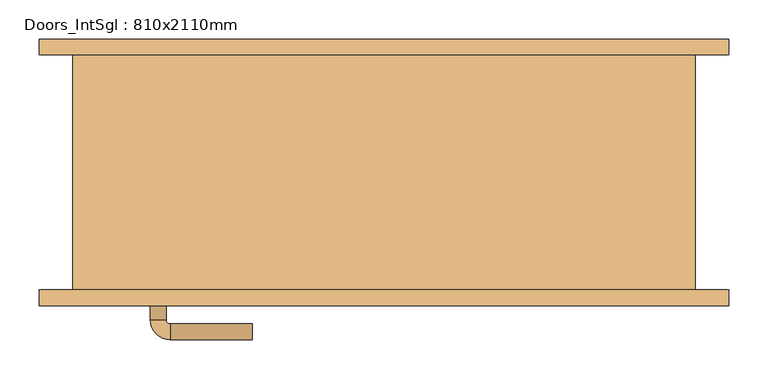
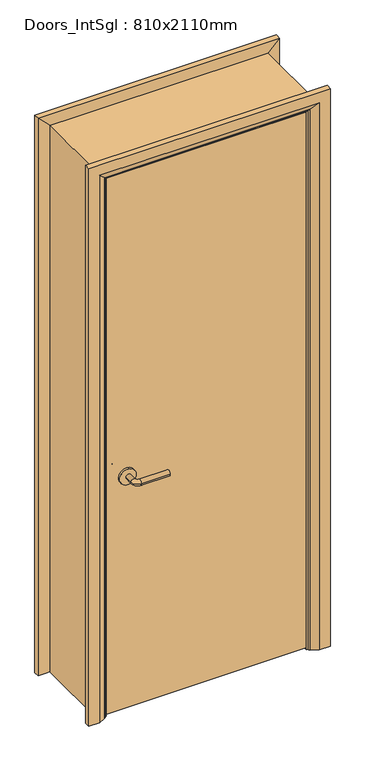
"""IFC4 building model written with IfcOpenShell, lengths in millimetres: door geometry, Doors_IntSgl : 810x2110mm."""

import ifcopenshell
import ifcopenshell.guid

model = None  # the IFC model being written
_history = None  # IfcOwnerHistory: only IFC2X3 demands one
_inside = {}  # id of a spatial element -> (the spatial element, [elements in it])
_under = {}  # id of a project, library or spatial element -> (it, [spatial elements below it])
_declared = {}  # id of a project -> (the project, [libraries it declares])
_typed = {}  # id of a type object -> (the type object, [elements of that type])
_made_of = {}  # id of a material, layer set ... -> (it, [elements and type objects made of it])


def new_model(schema):
    """Start an empty IFC model of exactly this schema.

    Asked for "IFC4X3", IfcOpenShell would pick the latest addendum, in which some entities
    have other attributes; the version numbers below select the first issue.
    IFC2X3 requires an IfcOwnerHistory on every rooted entity: one is made here for all.
    """
    global model, _history
    if schema == "IFC4X3":
        model = ifcopenshell.file(schema_version=(4, 3, 0, 0))
    else:
        model = ifcopenshell.file(schema=schema)
    _inside.clear()
    _under.clear()
    _declared.clear()
    _typed.clear()
    _made_of.clear()
    _history = None
    if model.schema == "IFC2X3":
        org = make("IfcOrganization", Name="unknown")
        user = make(
            "IfcPersonAndOrganization",
            ThePerson=make("IfcPerson", FamilyName="unknown"),
            TheOrganization=org,
        )
        app = make(
            "IfcApplication",
            ApplicationDeveloper=org,
            Version="unknown",
            ApplicationFullName="unknown",
            ApplicationIdentifier="unknown",
        )
        _history = make(
            "IfcOwnerHistory",
            OwningUser=user,
            OwningApplication=app,
            ChangeAction="ADDED",
            CreationDate=0,
        )
    return model


def make(cls, **values):
    """One entity of the class cls with the attributes given. An attribute that is None is left unset."""
    return model.create_entity(
        cls, **{name: value for name, value in values.items() if value is not None}
    )


def rooted(cls, **values):
    """An entity with a GlobalId (a new one), such as an element, a storey or a relation."""
    return make(cls, GlobalId=ifcopenshell.guid.new(), OwnerHistory=_history, **values)


def si_unit(unit_type, name, prefix=None):
    """IfcSIUnit, for example si_unit("LENGTHUNIT", "METRE", prefix="MILLI")."""
    return make("IfcSIUnit", UnitType=unit_type, Prefix=prefix, Name=name)


def assignment(units):
    """IfcUnitAssignment: the units of a project."""
    return None if units is None else make("IfcUnitAssignment", Units=units)


def point(xyz):
    """IfcCartesianPoint."""
    return None if xyz is None else make("IfcCartesianPoint", Coordinates=xyz)


def direction(xyz):
    """IfcDirection."""
    return None if xyz is None else make("IfcDirection", DirectionRatios=xyz)


def frame(location, z_axis=None, x_axis=None):
    """IfcAxis2Placement3D, a coordinate frame: its origin and axes. An axis left out is left unset."""
    return make(
        "IfcAxis2Placement3D",
        Location=point(location),
        Axis=direction(z_axis),
        RefDirection=direction(x_axis),
    )


def frame_2d(location, x_axis=None):
    """IfcAxis2Placement2D, a coordinate frame in the plane: its origin and x axis."""
    return make(
        "IfcAxis2Placement2D", Location=point(location), RefDirection=direction(x_axis)
    )


def origin():
    """The frame at (0, 0, 0) with its axes left unset."""
    return frame((0.0, 0.0, 0.0))


def place(relative_to, where):
    """IfcLocalPlacement: puts the frame where relative to a parent placement (None: the world)."""
    return make(
        "IfcLocalPlacement", PlacementRelTo=relative_to, RelativePlacement=where
    )


def context(
    kind, dimensions, precision=None, world=None, true_north=None, identifier=None
):
    """IfcGeometricRepresentationContext, for example the 3D "Model" context."""
    return make(
        "IfcGeometricRepresentationContext",
        ContextIdentifier=identifier,
        ContextType=kind,
        CoordinateSpaceDimension=dimensions,
        Precision=precision,
        WorldCoordinateSystem=world,
        TrueNorth=true_north,
    )


def project(units=None, contexts=None):
    """IfcProject with its units and contexts."""
    return rooted(
        "IfcProject",
        Name="project",
        RepresentationContexts=contexts,
        UnitsInContext=assignment(units),
    )


def spatial(cls, under=None, at=None, **own):
    """A site, building, storey or space (cls), placed at a placement, below another one or the project."""
    s = rooted(cls, ObjectPlacement=at, **own)
    if under is not None:
        _under.setdefault(under.id(), (under, []))[1].append(s)
    return s


def polyline(points):
    """IfcPolyline through the points."""
    return make("IfcPolyline", Points=[point(p) for p in points])


def circle_curve(where, radius):
    """IfcCircle in the frame where."""
    return make("IfcCircle", Position=where, Radius=radius)


def ellipse_curve(where, semi_axis1, semi_axis2):
    """IfcEllipse in the frame where."""
    return make(
        "IfcEllipse", Position=where, SemiAxis1=semi_axis1, SemiAxis2=semi_axis2
    )


def trimmed(basis, trim1, trim2, sense, master):
    """IfcTrimmedCurve: the piece of a basis curve between two trims."""
    return make(
        "IfcTrimmedCurve",
        BasisCurve=basis,
        Trim1=trim1,
        Trim2=trim2,
        SenseAgreement=sense,
        MasterRepresentation=master,
    )


def segment(curve, same_sense, transition):
    """IfcCompositeCurveSegment."""
    return make(
        "IfcCompositeCurveSegment",
        Transition=transition,
        SameSense=same_sense,
        ParentCurve=curve,
    )


def composite_curve(segments, self_intersect=None):
    """IfcCompositeCurve: segments joined end to end."""
    return make("IfcCompositeCurve", Segments=segments, SelfIntersect=self_intersect)


def outline(outer, holes=None, kind="AREA"):
    """IfcArbitraryClosedProfileDef: a profile drawn as a closed curve; with holes, ...WithVoids."""
    if holes is None:
        return make("IfcArbitraryClosedProfileDef", ProfileType=kind, OuterCurve=outer)
    return make(
        "IfcArbitraryProfileDefWithVoids",
        ProfileType=kind,
        OuterCurve=outer,
        InnerCurves=holes,
    )


def extrude(swept, where, along, depth):
    """IfcExtrudedAreaSolid: the profile swept, set in the frame where, extruded along a direction by depth."""
    return make(
        "IfcExtrudedAreaSolid",
        SweptArea=swept,
        Position=where,
        ExtrudedDirection=direction(along),
        Depth=depth,
    )


def faces_of(points, faces, orient=None, outer=None):
    """IfcFace entities. A face is a list of loops; a loop is a list of indices into points, from 0.

    orient and outer hold one flag for each loop. By default every Orientation is true, the
    first loop of a face is its IfcFaceOuterBound and the others are IfcFaceBound.
    """
    made = []
    for i, loops in enumerate(faces):
        bounds = []
        for j, loop in enumerate(loops):
            is_outer = j == 0 if outer is None else outer[i][j]
            bounds.append(
                make(
                    "IfcFaceOuterBound" if is_outer else "IfcFaceBound",
                    Bound=make("IfcPolyLoop", Polygon=[points[k] for k in loop]),
                    Orientation=True if orient is None else orient[i][j],
                )
            )
        made.append(make("IfcFace", Bounds=bounds))
    return made


def faceted_brep(points, faces, orient=None, outer=None, voids=None):
    """IfcFacetedBrep: a solid bounded by flat faces; with voids (closed shells), ...WithVoids."""
    shared = [point(p) for p in points]
    hull = make("IfcClosedShell", CfsFaces=faces_of(shared, faces, orient, outer))
    if voids is None:
        return make("IfcFacetedBrep", Outer=hull)
    return make(
        "IfcFacetedBrepWithVoids",
        Outer=hull,
        Voids=[
            make(cls, CfsFaces=faces_of(shared, fs, o, b)) for cls, fs, o, b in voids
        ],
    )


def shape(context_of_items, identifier, shape_type, items):
    """IfcShapeRepresentation: the items that make up one representation, for example the "Body"."""
    return make(
        "IfcShapeRepresentation",
        ContextOfItems=context_of_items,
        RepresentationIdentifier=identifier,
        RepresentationType=shape_type,
        Items=items,
    )


def source(mapping_origin, context_of_items, identifier, shape_type, items):
    """IfcRepresentationMap: a shape defined once, which mapped items show again and again."""
    return make(
        "IfcRepresentationMap",
        MappingOrigin=mapping_origin,
        MappedRepresentation=shape(context_of_items, identifier, shape_type, items),
    )


def transform(
    local_origin,
    x_axis=None,
    y_axis=None,
    z_axis=None,
    scale=None,
    scale2=None,
    scale3=None,
    uniform=True,
):
    """IfcCartesianTransformationOperator3D, or its non-uniform kind. x_axis, y_axis, z_axis: its Axis1, 2, 3."""
    if uniform:
        return make(
            "IfcCartesianTransformationOperator3D",
            Axis1=direction(x_axis),
            Axis2=direction(y_axis),
            LocalOrigin=point(local_origin),
            Scale=scale,
            Axis3=direction(z_axis),
        )
    return make(
        "IfcCartesianTransformationOperator3DnonUniform",
        Axis1=direction(x_axis),
        Axis2=direction(y_axis),
        LocalOrigin=point(local_origin),
        Scale=scale,
        Axis3=direction(z_axis),
        Scale2=scale2,
        Scale3=scale3,
    )


def mapped(mapping_source, mapping_target):
    """IfcMappedItem: shows the shape of a source again, moved by a transform."""
    return make(
        "IfcMappedItem", MappingSource=mapping_source, MappingTarget=mapping_target
    )


def made_of(thing, what):
    """Note that an element or type object is made of a material, layer set ...; save() writes the relation."""
    if what is not None:
        _made_of.setdefault(what.id(), (what, []))[1].append(thing)
    return thing


def element(
    cls,
    number,
    at=None,
    inside=None,
    cuts=None,
    type_object=None,
    material=None,
    context=None,
    identifier="Body",
    shape_type=None,
    held_by="IfcProductDefinitionShape",
    body=None,
    shapes=None,
    **own,
):
    """One element of the class cls, such as IfcWall. Its Tag is "e" and its number.

    at: its placement. inside: the storey or other place that contains it. cuts: it is an
    opening in that element (IfcRelVoidsElement). A single representation is given by context,
    identifier, shape_type and body (its items); several are given by shapes. held_by: the class
    of the entity that holds the representations. save() writes the other relations.
    """
    e = rooted(cls, Tag="e%d" % number, ObjectPlacement=at, **own)
    if body is not None:
        shapes = [shape(context, identifier, shape_type, body)]
    if shapes is not None:
        e.Representation = make(held_by, Representations=shapes)
    if inside is not None:
        _inside.setdefault(inside.id(), (inside, []))[1].append(e)
    if cuts is not None:
        rooted(
            "IfcRelVoidsElement", RelatingBuildingElement=cuts, RelatedOpeningElement=e
        )
    if type_object is not None:
        _typed.setdefault(type_object.id(), (type_object, []))[1].append(e)
    return made_of(e, material)


def aggregate(whole, parts):
    """IfcRelAggregates: a whole, such as a stair, and the parts it consists of."""
    return rooted("IfcRelAggregates", RelatingObject=whole, RelatedObjects=parts)


def save(model, path):
    """Write the relations noted so far, then the file.

    IfcRelAggregates (storeys below a building ...), IfcRelContainedInSpatialStructure (elements
    in a storey), IfcRelDefinesByType, IfcRelAssociatesMaterial and IfcRelDeclares: one each for
    every whole, place, type object, material and project.
    """
    for whole, parts in _under.values():
        aggregate(whole, parts)
    for where, things in _inside.values():
        rooted(
            "IfcRelContainedInSpatialStructure",
            RelatedElements=things,
            RelatingStructure=where,
        )
    for kind, things in _typed.values():
        rooted("IfcRelDefinesByType", RelatedObjects=things, RelatingType=kind)
    for what, things in _made_of.values():
        rooted("IfcRelAssociatesMaterial", RelatedObjects=things, RelatingMaterial=what)
    for by, libraries in _declared.values():
        rooted("IfcRelDeclares", RelatingContext=by, RelatedDefinitions=libraries)
    model.write(path)


def plane_surface(at):
    """IfcPlane: the flat surface through the origin of the frame at, square to its z axis."""
    return make("IfcPlane", Position=at)


def cylinder_surface(at, radius):
    """IfcCylindricalSurface: all points at the distance radius from the z axis of the frame at."""
    return make("IfcCylindricalSurface", Position=at, Radius=radius)


def revolved_surface(curve, axis_point, axis_direction):
    """IfcSurfaceOfRevolution: the curve turned about the line through axis_point along axis_direction."""
    return make(
        "IfcSurfaceOfRevolution",
        SweptCurve=make("IfcArbitraryOpenProfileDef", ProfileType="CURVE", Curve=curve),
        AxisPosition=make("IfcAxis1Placement", Location=point(axis_point), Axis=direction(axis_direction)),
    )


def advanced_brep(points, edges, surfaces, faces):
    """IfcAdvancedBrep: a solid bounded by faces that lie on surfaces and meet in shared edges.

    An edge is (start, end): straight between two places in points (the first is 0);
    or (start, end, curve); or (start, end, curve, False) where it runs against its curve.
    A face is (place in surfaces, loops), or (place, loops, False) where it looks against
    its surface's normal. A loop lists edges by number (the first is 1), with a minus sign
    where the edge is run from its end to its start. The first loop is the outer one.
    """
    corners = [point(p) for p in points]
    vertices = [make("IfcVertexPoint", VertexGeometry=c) for c in corners]
    made = []
    for start, end, *more in edges:
        made.append(
            make(
                "IfcEdgeCurve",
                EdgeStart=vertices[start],
                EdgeEnd=vertices[end],
                EdgeGeometry=more[0] if more else make("IfcPolyline", Points=[corners[start], corners[end]]),
                SameSense=more[1] if len(more) > 1 else True,
            )
        )
    hull = []
    for where, loops, *sense in faces:
        bounds = []
        for j, loop in enumerate(loops):
            ring = [make("IfcOrientedEdge", EdgeElement=made[abs(k) - 1], Orientation=k > 0) for k in loop]
            bounds.append(
                make(
                    "IfcFaceOuterBound" if j == 0 else "IfcFaceBound",
                    Bound=make("IfcEdgeLoop", EdgeList=ring),
                    Orientation=True,
                )
            )
        hull.append(make("IfcAdvancedFace", Bounds=bounds, FaceSurface=surfaces[where], SameSense=sense[0] if sense else True))
    return make("IfcAdvancedBrep", Outer=make("IfcClosedShell", CfsFaces=hull))


def doors_intsgl_810x2110mm_8206dd41(model_context):
    return source(origin(), model_context, "Body", "SolidModel", [
        advanced_brep(
        [(-298.0, -104.0, 900.0), (-278.0, -104.0, 900.0), (-298.0, -74.0, 900.0), (-278.0, -74.0, 900.0), (-273.0, -69.0, 900.0), (-273.0, -49.0, 900.0), (-168.0, -49.0, 900.0), (-168.0, -69.0, 900.0)],
        [
            (0, 1, circle_curve(frame((-288.0, -104.0, 900.0), z_axis=(0.0, -1.0, 0.0), x_axis=(1.0, 0.0, 0.0)), 10.0)),
            (1, 0, circle_curve(frame((-288.0, -104.0, 900.0), z_axis=(0.0, -1.0, 0.0), x_axis=(1.0, 0.0, 0.0)), 10.0)),
            (0, 2),
            (2, 3, circle_curve(frame((-288.0, -74.0, 900.0), z_axis=(0.0, -1.0, 0.0), x_axis=(1.0, 0.0, 0.0)), 10.0)),
            (3, 1),
            (3, 2, circle_curve(frame((-288.0, -74.0, 900.0), z_axis=(0.0, -1.0, 0.0), x_axis=(1.0, 0.0, 0.0)), 10.0)),
            (4, 3, circle_curve(frame((-273.0, -74.0, 900.0), z_axis=(0.0, 0.0, 1.0), x_axis=(-1.0, 0.0, 0.0)), 5.0)),
            (2, 5, circle_curve(frame((-273.0, -74.0, 900.0), z_axis=(0.0, 0.0, -1.0), x_axis=(-1.0, 0.0, 0.0)), 25.0)),
            (5, 4, circle_curve(frame((-273.0, -59.0, 900.0), z_axis=(-1.0, 0.0, 0.0), x_axis=(0.0, -1.0, 0.0)), 10.0)),
            (4, 5, circle_curve(frame((-273.0, -59.0, 900.0), z_axis=(-1.0, 0.0, 0.0), x_axis=(0.0, -1.0, 0.0)), 10.0)),
            (6, 7, circle_curve(frame((-168.0, -59.0, 900.0), z_axis=(1.0, 0.0, 0.0), x_axis=(0.0, -1.0, 0.0)), 10.0)),
            (7, 6, circle_curve(frame((-168.0, -59.0, 900.0), z_axis=(1.0, 0.0, 0.0), x_axis=(0.0, -1.0, 0.0)), 10.0)),
            (5, 6),
            (7, 4),
        ],
        [
            plane_surface(frame((-288.0, -104.0, 900.0), z_axis=(0.0, -1.0, 0.0), x_axis=(0.0, 0.0, 1.0))),
            cylinder_surface(frame((-288.0, -104.0, 900.0), z_axis=(0.0, -1.0, 0.0), x_axis=(1.0, 0.0, 0.0)), 10.0),
            revolved_surface(trimmed(ellipse_curve(frame((-288.0, -74.0, 900.0), z_axis=(0.0, -1.0, 0.0), x_axis=(1.0, 0.0, 0.0)), 10.0, 10.0), [point((-298.0, -74.0, 900.0))], [point((-278.0, -74.0, 900.0))], True, "CARTESIAN"), (-273.0, -74.0, 900.0), (0.0, 0.0, -1.0)),
            revolved_surface(trimmed(ellipse_curve(frame((-288.0, -74.0, 900.0), z_axis=(0.0, -1.0, 0.0), x_axis=(1.0, 0.0, 0.0)), 10.0, 10.0), [point((-278.0, -74.0, 900.0))], [point((-298.0, -74.0, 900.0))], True, "CARTESIAN"), (-273.0, -74.0, 900.0), (0.0, 0.0, -1.0)),
            plane_surface(frame((-168.0, -59.0, 900.0), z_axis=(1.0, 0.0, 0.0), x_axis=(0.0, 0.0, 1.0))),
            cylinder_surface(frame((-273.0, -59.0, 900.0), z_axis=(-1.0, 0.0, 0.0), x_axis=(0.0, -1.0, 0.0)), 10.0),
        ],
        [
            (0, [[1, 2]]),
            (1, [[-1, 3, 4, 5]]),
            (1, [[-2, -5, 6, -3]]),
            (2, [[7, -4, 8, 9]]),
            (3, [[-8, -6, -7, 10]]),
            (4, [[11, 12]]),
            (5, [[-9, 13, -12, 14]]),
            (5, [[-10, -14, -11, -13]]),
        ],
    ),
        extrude(outline(composite_curve([segment(trimmed(circle_curve(frame_2d((900.0, -290.5)), 30.0), [point((900.0, -320.5))], [point((900.0, -260.5))], False, "CARTESIAN"), True, "CONTINUOUS"), segment(trimmed(circle_curve(frame_2d((900.0, -290.5)), 30.0), [point((900.0, -260.5))], [point((900.0, -320.5))], False, "CARTESIAN"), True, "CONTINUOUS")], self_intersect=False)), frame((0.0, -112.0, 0.0), z_axis=(0.0, 1.0, 0.0), x_axis=(0.0, 0.0, 1.0)), (0.0, 0.0, 1.0), 8.0),
        advanced_brep(
        [(-298.0, -158.0, 900.0), (-278.0, -158.0, 900.0), (-278.0, -188.0, 900.0), (-298.0, -188.0, 900.0), (-273.0, -193.0, 900.0), (-273.0, -213.0, 900.0), (-168.0, -213.0, 900.0), (-168.0, -193.0, 900.0)],
        [
            (0, 1, circle_curve(frame((-288.0, -158.0, 900.0), z_axis=(0.0, 1.0, 0.0), x_axis=(1.0, 0.0, 0.0)), 10.0)),
            (1, 0, circle_curve(frame((-288.0, -158.0, 900.0), z_axis=(0.0, 1.0, 0.0), x_axis=(1.0, 0.0, 0.0)), 10.0)),
            (1, 2),
            (2, 3, circle_curve(frame((-288.0, -188.0, 900.0), z_axis=(0.0, 1.0, 0.0), x_axis=(1.0, 0.0, 0.0)), 10.0)),
            (3, 0),
            (3, 2, circle_curve(frame((-288.0, -188.0, 900.0), z_axis=(0.0, 1.0, 0.0), x_axis=(1.0, 0.0, 0.0)), 10.0)),
            (4, 5, circle_curve(frame((-273.0, -203.0, 900.0), z_axis=(-1.0, 0.0, 0.0), x_axis=(0.0, 1.0, 0.0)), 10.0)),
            (5, 3, circle_curve(frame((-273.0, -188.0, 900.0), z_axis=(0.0, 0.0, -1.0), x_axis=(-1.0, 0.0, 0.0)), 25.0)),
            (2, 4, circle_curve(frame((-273.0, -188.0, 900.0), z_axis=(0.0, 0.0, 1.0), x_axis=(-1.0, 0.0, 0.0)), 5.0)),
            (5, 4, circle_curve(frame((-273.0, -203.0, 900.0), z_axis=(-1.0, 0.0, 0.0), x_axis=(0.0, 1.0, 0.0)), 10.0)),
            (6, 7, circle_curve(frame((-168.0, -203.0, 900.0), z_axis=(1.0, 0.0, 0.0), x_axis=(0.0, 1.0, 0.0)), 10.0)),
            (7, 6, circle_curve(frame((-168.0, -203.0, 900.0), z_axis=(1.0, 0.0, 0.0), x_axis=(0.0, 1.0, 0.0)), 10.0)),
            (4, 7),
            (6, 5),
        ],
        [
            plane_surface(frame((-288.0, -158.0, 900.0), z_axis=(0.0, 1.0, 0.0), x_axis=(0.0, 0.0, 1.0))),
            cylinder_surface(frame((-288.0, -158.0, 900.0), z_axis=(0.0, 1.0, 0.0), x_axis=(1.0, 0.0, 0.0)), 10.0),
            revolved_surface(trimmed(ellipse_curve(frame((-288.0, -188.0, 900.0), z_axis=(0.0, -1.0, 0.0), x_axis=(1.0, 0.0, 0.0)), 10.0, 10.0), [point((-298.0, -188.0, 900.0))], [point((-278.0, -188.0, 900.0))], True, "CARTESIAN"), (-273.0, -188.0, 900.0), (0.0, 0.0, -1.0)),
            revolved_surface(trimmed(ellipse_curve(frame((-288.0, -188.0, 900.0), z_axis=(0.0, -1.0, 0.0), x_axis=(1.0, 0.0, 0.0)), 10.0, 10.0), [point((-278.0, -188.0, 900.0))], [point((-298.0, -188.0, 900.0))], True, "CARTESIAN"), (-273.0, -188.0, 900.0), (0.0, 0.0, -1.0)),
            plane_surface(frame((-168.0, -203.0, 900.0), z_axis=(1.0, 0.0, 0.0), x_axis=(0.0, 0.0, 1.0))),
            cylinder_surface(frame((-273.0, -203.0, 900.0), z_axis=(-1.0, 0.0, 0.0), x_axis=(0.0, 1.0, 0.0)), 10.0),
        ],
        [
            (0, [[1, 2]]),
            (1, [[3, 4, 5, -2]]),
            (1, [[-5, 6, -3, -1]]),
            (2, [[7, 8, -4, 9]]),
            (3, [[10, -9, -6, -8]]),
            (4, [[11, 12]]),
            (5, [[13, -11, 14, -7]]),
            (5, [[-14, -12, -13, -10]]),
        ],
    ),
        extrude(outline(composite_curve([segment(trimmed(circle_curve(frame_2d((900.0, -290.5)), 30.0), [point((900.0, -320.5))], [point((900.0, -260.5))], False, "CARTESIAN"), True, "CONTINUOUS"), segment(trimmed(circle_curve(frame_2d((900.0, -290.5)), 30.0), [point((900.0, -260.5))], [point((900.0, -320.5))], False, "CARTESIAN"), True, "CONTINUOUS")], self_intersect=False)), frame((0.0, -158.0, 0.0), z_axis=(0.0, 1.0, 0.0), x_axis=(0.0, 0.0, 1.0)), (0.0, 0.0, 1.0), 8.0),
        extrude(outline(polyline([(363.0, -112.0), (363.0, -150.0), (-363.0, -150.0), (-363.0, -112.0), (363.0, -112.0)])), frame((0.0, 0.0, 8.0), z_axis=(0.0, 0.0, 1.0), x_axis=(1.0, 0.0, 0.0)), (0.0, 0.0, 1.0), 2060.0),
        advanced_brep(
        [(440.0, -170.0, 0.0), (400.0, -170.0, 0.0), (374.0, -156.0, 0.0), (370.0, -150.0, 0.0), (440.0, -150.0, 0.0), (440.0, -150.0, 2145.0), (440.0, -170.0, 2145.0), (370.0, -150.0, 2075.0), (-370.0, -150.0, 2075.0), (-370.0, -150.0, 0.0), (-440.0, -150.0, 0.0), (-440.0, -150.0, 2145.0), (374.0, -156.0, 2079.0), (400.0, -170.0, 2105.0), (-440.0, -170.0, 2145.0), (-440.0, -170.0, 0.0), (-400.0, -170.0, 0.0), (-400.0, -170.0, 2105.0), (-374.0, -156.0, 2079.0), (-374.0, -156.0, 0.0)],
        [
            (0, 1),
            (1, 2),
            (2, 3, circle_curve(frame((378.0, -149.0, 0.0), z_axis=(0.0, 0.0, -1.0), x_axis=(1.0, 0.0, 0.0)), 8.0622577)),
            (3, 4),
            (4, 0),
            (4, 5),
            (5, 6),
            (6, 0),
            (3, 7),
            (7, 8),
            (8, 9),
            (9, 10),
            (10, 11),
            (11, 5),
            (2, 12),
            (12, 7, ellipse_curve(frame((378.0, -149.0, 2083.0), z_axis=(0.7071067811865475, 0.0, -0.7071067811865475), x_axis=(-0.7071067811865474, 0.0, -0.7071067811865476)), 11.4017543, 8.0622577)),
            (1, 13),
            (13, 12),
            (6, 14),
            (14, 15),
            (15, 16),
            (16, 17),
            (17, 13),
            (11, 14),
            (12, 18),
            (18, 8, ellipse_curve(frame((-378.0, -149.0, 2083.0), z_axis=(0.7071067811865475, 0.0, 0.7071067811865475), x_axis=(0.7071067811865476, 0.0, -0.7071067811865474)), 11.4017543, 8.0622577)),
            (17, 18),
            (15, 10),
            (9, 19, circle_curve(frame((-378.0, -149.0, 0.0), z_axis=(0.0, 0.0, -1.0), x_axis=(-1.0, 0.0, 0.0)), 8.0622577)),
            (19, 16),
            (18, 19),
        ],
        [
            plane_surface(frame((370.0, -150.0, 0.0), z_axis=(0.0, 0.0, -1.0), x_axis=(0.0, 1.0, 0.0))),
            plane_surface(frame((440.0, -170.0, 0.0), z_axis=(1.0, 0.0, 0.0), x_axis=(0.0, 0.0, 1.0))),
            plane_surface(frame((440.0, -150.0, 0.0), z_axis=(0.0, 1.0, 0.0), x_axis=(0.0, 0.0, 1.0))),
            cylinder_surface(frame((378.0, -149.0, 0.0), z_axis=(0.0, 0.0, -1.0), x_axis=(1.0, 0.0, 0.0)), 8.0622577),
            plane_surface(frame((374.0, -156.0, 0.0), z_axis=(-0.4740998230350126, -0.880471099922178, 0.0), x_axis=(0.0, 0.0, 1.0))),
            plane_surface(frame((400.0, -170.0, 0.0), z_axis=(0.0, -1.0, 0.0), x_axis=(0.0, 0.0, 1.0))),
            plane_surface(frame((440.0, -170.0, 2145.0), z_axis=(0.0, 0.0, 1.0), x_axis=(-1.0, 0.0, 0.0))),
            cylinder_surface(frame((370.0, -149.0, 2083.0), z_axis=(1.0, 0.0, 0.0), x_axis=(0.0, 0.0, 1.0)), 8.0622577),
            plane_surface(frame((374.0, -156.0, 2079.0), z_axis=(0.0, -0.8804710999221764, -0.4740998230350154), x_axis=(-1.0, 0.0, 0.0))),
            plane_surface(frame((-370.0, -150.0, 0.0), z_axis=(0.0, 0.0, -1.0), x_axis=(0.0, 1.0, 0.0))),
            plane_surface(frame((-440.0, -170.0, 2145.0), z_axis=(-1.0, 0.0, 0.0), x_axis=(0.0, 0.0, -1.0))),
            cylinder_surface(frame((-378.0, -149.0, 2075.0), z_axis=(0.0, 0.0, 1.0), x_axis=(-1.0, 0.0, 0.0)), 8.0622577),
            plane_surface(frame((-374.0, -156.0, 2079.0), z_axis=(0.47409982303501824, -0.8804710999221749, 0.0), x_axis=(0.0, 0.0, -1.0))),
        ],
        [
            (0, [[1, 2, 3, 4, 5]]),
            (1, [[6, 7, 8, -5]]),
            (2, [[9, 10, 11, 12, 13, 14, -6, -4]]),
            (3, [[15, 16, -9, -3]]),
            (4, [[17, 18, -15, -2]]),
            (5, [[-8, 19, 20, 21, 22, 23, -17, -1]]),
            (6, [[-14, 24, -19, -7]]),
            (7, [[25, 26, -10, -16]]),
            (8, [[-23, 27, -25, -18]]),
            (9, [[28, -12, 29, 30, -21]]),
            (10, [[-13, -28, -20, -24]]),
            (11, [[31, -29, -11, -26]]),
            (12, [[-22, -30, -31, -27]]),
        ],
    ),
        extrude(outline(polyline([(0.0, -346.0), (2051.0, -346.0), (2051.0, 346.0), (0.0, 346.0), (0.0, 365.0), (2070.0, 365.0), (2070.0, -365.0), (0.0, -365.0), (0.0, -346.0)])), frame((0.0, -110.0, 0.0), z_axis=(0.0, 1.0, 0.0), x_axis=(0.0, 0.0, 1.0)), (0.0, 0.0, 1.0), 32.0),
        advanced_brep(
        [(-440.0, 170.0, 0.0), (-400.0, 170.0, 0.0), (-374.0, 156.0, 0.0), (-370.0, 150.0, 0.0), (-440.0, 150.0, 0.0), (-440.0, 150.0, 2145.0), (-440.0, 170.0, 2145.0), (-370.0, 150.0, 2075.0), (-374.0, 156.0, 2079.0), (-400.0, 170.0, 2105.0), (440.0, 150.0, 2145.0), (440.0, 170.0, 2145.0), (370.0, 150.0, 2075.0), (374.0, 156.0, 2079.0), (400.0, 170.0, 2105.0), (440.0, 170.0, 0.0), (440.0, 150.0, 0.0), (370.0, 150.0, 0.0), (374.0, 156.0, 0.0), (400.0, 170.0, 0.0)],
        [
            (0, 1),
            (1, 2),
            (2, 3, circle_curve(frame((-378.0, 149.0, 0.0), z_axis=(0.0, 0.0, -1.0), x_axis=(-1.0, 0.0, 0.0)), 8.0622577)),
            (3, 4),
            (4, 0),
            (4, 5),
            (5, 6),
            (6, 0),
            (3, 7),
            (7, 5),
            (2, 8),
            (8, 7, ellipse_curve(frame((-378.0, 149.0, 2083.0), z_axis=(-0.7071067811865475, 0.0, -0.7071067811865475), x_axis=(0.7071067811865474, 0.0, -0.7071067811865476)), 11.4017543, 8.0622577)),
            (1, 9),
            (9, 8),
            (6, 9),
            (5, 10),
            (10, 11),
            (11, 6),
            (7, 12),
            (12, 10),
            (8, 13),
            (13, 12, ellipse_curve(frame((378.0, 149.0, 2083.0), z_axis=(-0.7071067811865475, 0.0, 0.7071067811865475), x_axis=(-0.7071067811865476, 0.0, -0.7071067811865474)), 11.4017543, 8.0622577)),
            (9, 14),
            (14, 13),
            (11, 14),
            (15, 16),
            (16, 17),
            (17, 18, circle_curve(frame((378.0, 149.0, 0.0), z_axis=(0.0, 0.0, -1.0), x_axis=(1.0, 0.0, 0.0)), 8.0622577)),
            (18, 19),
            (19, 15),
            (10, 16),
            (15, 11),
            (12, 17),
            (13, 18),
            (14, 19),
        ],
        [
            plane_surface(frame((-370.0, 222.8010989, 0.0), z_axis=(0.0, 0.0, -1.0), x_axis=(1.0, 0.0, 0.0))),
            plane_surface(frame((-440.0, 170.0, 0.0), z_axis=(-1.0, 0.0, 0.0), x_axis=(0.0, 0.0, 1.0))),
            plane_surface(frame((-440.0, 150.0, 0.0), z_axis=(0.0, -1.0, 0.0), x_axis=(0.0, 0.0, 1.0))),
            cylinder_surface(frame((-378.0, 149.0, 0.0), z_axis=(0.0, 0.0, -1.0), x_axis=(-1.0, 0.0, 0.0)), 8.0622577),
            plane_surface(frame((-374.0, 156.0, 0.0), z_axis=(0.4740998230350183, 0.8804710999221749, 0.0), x_axis=(0.0, 0.0, 1.0))),
            plane_surface(frame((-400.0, 170.0, 0.0), z_axis=(0.0, 1.0, 0.0), x_axis=(0.0, 0.0, 1.0))),
            plane_surface(frame((-440.0, 170.0, 2145.0), z_axis=(0.0, 0.0, 1.0), x_axis=(1.0, 0.0, 0.0))),
            plane_surface(frame((-440.0, 150.0, 2145.0), z_axis=(0.0, -1.0, 0.0), x_axis=(1.0, 0.0, 0.0))),
            cylinder_surface(frame((-370.0, 149.0, 2083.0), z_axis=(-1.0, 0.0, 0.0), x_axis=(0.0, 0.0, 1.0)), 8.0622577),
            plane_surface(frame((-374.0, 156.0, 2079.0), z_axis=(0.0, 0.8804710999221749, -0.4740998230350183), x_axis=(1.0, 0.0, 0.0))),
            plane_surface(frame((-400.0, 170.0, 2105.0), z_axis=(0.0, 1.0, 0.0), x_axis=(1.0, 0.0, 0.0))),
            plane_surface(frame((370.0, 222.8010989, 0.0), z_axis=(0.0, 0.0, -1.0), x_axis=(-1.0, 0.0, 0.0))),
            plane_surface(frame((440.0, 170.0, 2145.0), z_axis=(1.0, 0.0, 0.0), x_axis=(0.0, 0.0, -1.0))),
            plane_surface(frame((440.0, 150.0, 2145.0), z_axis=(0.0, -1.0, 0.0), x_axis=(0.0, 0.0, -1.0))),
            cylinder_surface(frame((378.0, 149.0, 2075.0), z_axis=(0.0, 0.0, 1.0), x_axis=(1.0, 0.0, 0.0)), 8.0622577),
            plane_surface(frame((374.0, 156.0, 2079.0), z_axis=(-0.4740998230350183, 0.8804710999221749, 0.0), x_axis=(0.0, 0.0, -1.0))),
            plane_surface(frame((400.0, 170.0, 2105.0), z_axis=(0.0, 1.0, 0.0), x_axis=(0.0, 0.0, -1.0))),
        ],
        [
            (0, [[1, 2, 3, 4, 5]]),
            (1, [[6, 7, 8, -5]]),
            (2, [[9, 10, -6, -4]]),
            (3, [[11, 12, -9, -3]]),
            (4, [[13, 14, -11, -2]]),
            (5, [[-8, 15, -13, -1]]),
            (6, [[16, 17, 18, -7]]),
            (7, [[19, 20, -16, -10]]),
            (8, [[21, 22, -19, -12]]),
            (9, [[23, 24, -21, -14]]),
            (10, [[-18, 25, -23, -15]]),
            (11, [[26, 27, 28, 29, 30]]),
            (12, [[31, -26, 32, -17]]),
            (13, [[33, -27, -31, -20]]),
            (14, [[34, -28, -33, -22]]),
            (15, [[35, -29, -34, -24]]),
            (16, [[-32, -30, -35, -25]]),
        ],
    ),
        faceted_brep([(-365.0, -150.0, 0.0), (-397.0, -150.0, 0.0), (-397.0, 150.0, 0.0), (-365.0, 150.0, 0.0), (-365.0, 150.0, 2070.0), (-365.0, -150.0, 2070.0), (-397.0, 150.0, 2102.0), (-397.0, -150.0, 2102.0), (365.0, 150.0, 2070.0), (365.0, -150.0, 2070.0), (397.0, 150.0, 2102.0), (397.0, -150.0, 2102.0), (365.0, -150.0, 0.0), (365.0, 150.0, 0.0), (397.0, 150.0, 0.0), (397.0, -150.0, 0.0)], [[[0, 1, 2, 3]], [[3, 4, 5, 0]], [[2, 6, 4, 3]], [[1, 7, 6, 2]], [[0, 5, 7, 1]], [[4, 8, 9, 5]], [[6, 10, 8, 4]], [[7, 11, 10, 6]], [[5, 9, 11, 7]], [[12, 13, 14, 15]], [[8, 13, 12, 9]], [[10, 14, 13, 8]], [[11, 15, 14, 10]], [[9, 12, 15, 11]]]),
    ])


if __name__ == "__main__":
    model = new_model("IFC4")
    model_context = context("Model", 3, world=origin())
    ifc_project = project(units=[si_unit("LENGTHUNIT", "METRE", prefix="MILLI")], contexts=[model_context])
    site = spatial("IfcSite", under=ifc_project)
    building = spatial("IfcBuilding", under=site)
    placement = place(None, origin())
    doors_intsgl_810x2110mm_shape = doors_intsgl_810x2110mm_8206dd41(model_context)
    element("IfcDoor", 1, ObjectType="Doors_IntSgl : 810x2110mm", at=placement, inside=building, context=model_context, shape_type="MappedRepresentation", body=[
        mapped(doors_intsgl_810x2110mm_shape, transform((0.0, 0.0, 0.0), x_axis=(1.0, 0.0, 0.0), y_axis=(0.0, 1.0, 0.0), z_axis=(0.0, 0.0, 1.0))),
    ])
    save(model, "model.ifc")
